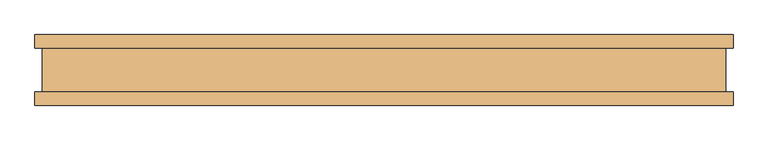
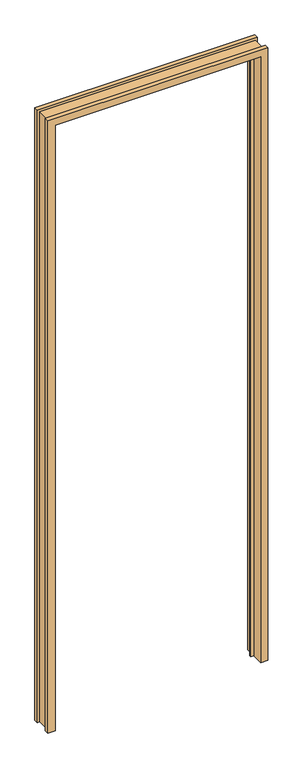
"""IFC4 building model written with IfcOpenShell, lengths in millimetres: door geometry."""

from ifc_helpers import new_model, si_unit, origin, place, context, project, spatial, faceted_brep, source, transform, mapped, element, save


def door_bbee1cea(model_context):
    return source(origin(), model_context, "Body", "Brep", [
        faceted_brep([(-466.9282, -50.8, 0.0), (-499.5672, -50.8, 0.0), (-499.5672, -31.4833003, 0.0), (-488.95, -31.4833003, 0.0), (-488.95, 31.4833003, 0.0), (-499.5672, 31.4833003, 0.0), (-499.5672, 50.8, 0.0), (-466.9282, 50.8, 0.0), (-466.9282, 10.8710997, 0.0), (-453.9742, 10.8710997, 0.0), (-453.9742, 2.5906997, 0.0), (-466.9282, 2.5906997, 0.0), (466.9282, -50.8, 0.0), (466.9282, 2.5906997, 0.0), (453.9742, 2.5906997, 0.0), (453.9742, 10.8710997, 0.0), (466.9282, 10.8710997, 0.0), (466.9282, 50.8, 0.0), (499.5672, 50.8, 0.0), (499.5672, 31.4833003, 0.0), (488.95, 31.4833003, 0.0), (488.95, -31.4833003, 0.0), (499.5672, -31.4833003, 0.0), (499.5672, -50.8, 0.0), (-466.9282, 2.5906997, 2908.2925997), (-466.9282, -50.8, 2908.2925997), (-453.9742, 2.5906997, 2895.3385997), (453.9742, 2.5906997, 2895.3385997), (466.9282, 2.5906997, 2908.2925997), (-453.9742, 10.8710997, 2895.3385997), (-466.9282, 10.8710997, 2908.2925997), (466.9282, 10.8710997, 2908.2925997), (453.9742, 10.8710997, 2895.3385997), (-466.9282, 50.8, 2908.2925997), (-499.5672, 50.8, 2940.9315997), (499.5672, 50.8, 2940.9315997), (466.9282, 50.8, 2908.2925997), (-499.5672, 31.4833003, 2940.9315997), (-488.95, 31.4833003, 2930.3143997), (488.95, 31.4833003, 2930.3143997), (499.5672, 31.4833003, 2940.9315997), (-488.95, -31.4833003, 2930.3143997), (-499.5672, -31.4833003, 2940.9315997), (499.5672, -31.4833003, 2940.9315997), (488.95, -31.4833003, 2930.3143997), (-499.5672, -50.8, 2940.9315997), (466.9282, -50.8, 2908.2925997), (499.5672, -50.8, 2940.9315997)], [[[0, 1, 2, 3, 4, 5, 6, 7, 8, 9, 10, 11]], [[12, 13, 14, 15, 16, 17, 18, 19, 20, 21, 22, 23]], [[11, 24, 25, 0]], [[10, 26, 27, 14, 13, 28, 24, 11]], [[9, 29, 26, 10]], [[8, 30, 31, 16, 15, 32, 29, 9]], [[7, 33, 30, 8]], [[6, 34, 35, 18, 17, 36, 33, 7]], [[5, 37, 34, 6]], [[4, 38, 39, 20, 19, 40, 37, 5]], [[3, 41, 38, 4]], [[2, 42, 43, 22, 21, 44, 41, 3]], [[1, 45, 42, 2]], [[0, 25, 46, 12, 23, 47, 45, 1]], [[24, 28, 46, 25]], [[29, 32, 27, 26]], [[33, 36, 31, 30]], [[37, 40, 35, 34]], [[41, 44, 39, 38]], [[45, 47, 43, 42]], [[28, 13, 12, 46]], [[32, 15, 14, 27]], [[36, 17, 16, 31]], [[40, 19, 18, 35]], [[44, 21, 20, 39]], [[47, 23, 22, 43]]]),
    ])


if __name__ == "__main__":
    model = new_model("IFC4")
    model_context = context("Model", 3, world=origin())
    ifc_project = project(units=[si_unit("LENGTHUNIT", "METRE", prefix="MILLI")], contexts=[model_context])
    site = spatial("IfcSite", under=ifc_project)
    building = spatial("IfcBuilding", under=site)
    placement = place(None, origin())
    door_shape = door_bbee1cea(model_context)
    element("IfcDoor", 1, at=placement, inside=building, context=model_context, shape_type="MappedRepresentation", body=[
        mapped(door_shape, transform((0.0, 0.0, 0.0), x_axis=(1.0, 0.0, 0.0), y_axis=(0.0, 1.0, 0.0), z_axis=(0.0, 0.0, 1.0))),
    ])
    save(model, "model.ifc")
